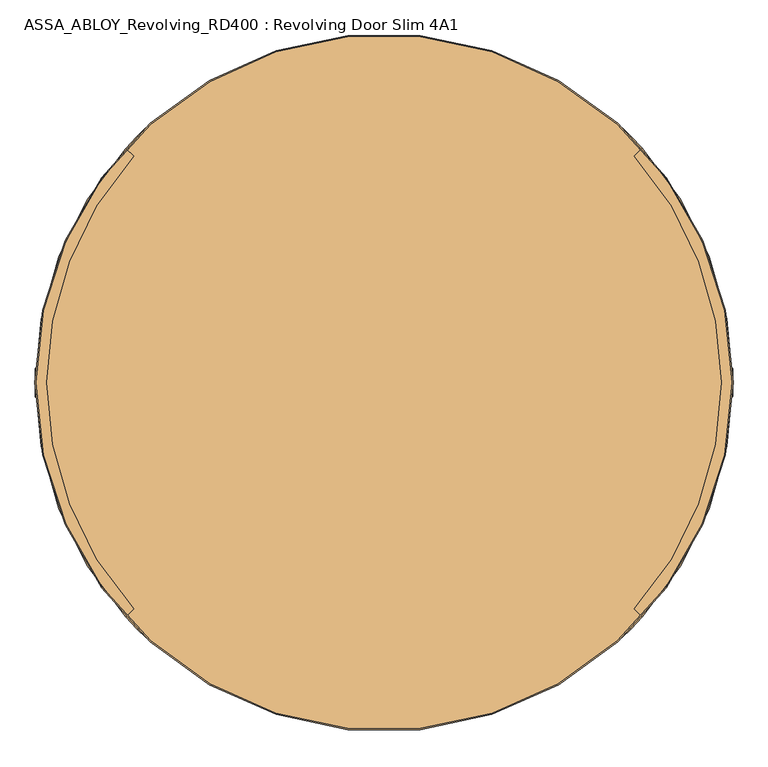
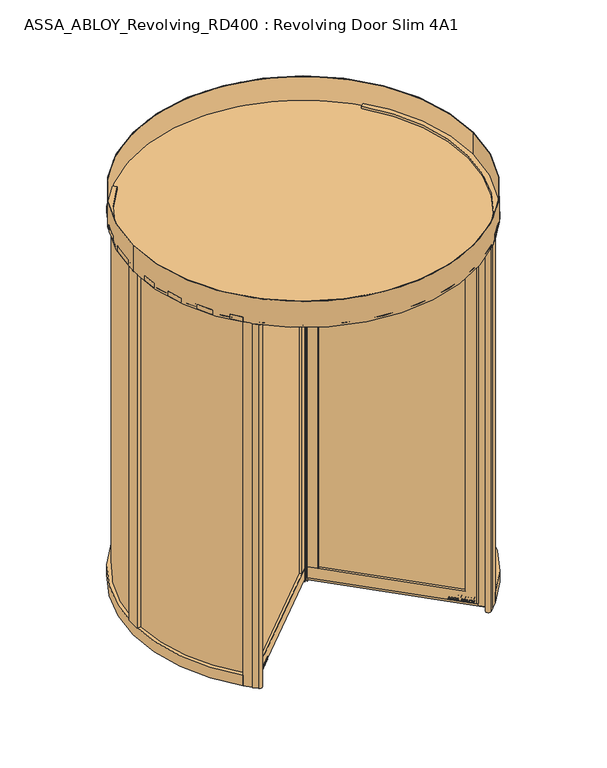
"""IFC4 building model written with IfcOpenShell, lengths in millimetres: door geometry, ASSA_ABLOY_Revolving_RD400 : Revolving Door Slim 4A1."""

from ifc_helpers import new_model, si_unit, point, frame, frame_2d, origin, origin_with_axes, origin_2d, place, context, project, spatial, polyline, circle_curve, trimmed, segment, composite_curve, outline, extrude, source, transform, mapped, element, save
from ifc_brep_helpers import plane_surface, cylinder_surface, advanced_brep


def assa_abloy_revolving_rd400_revolving_door_slim_4a1_2a2e77c7(model_context):
    return source(origin(), model_context, "Body", "SolidModel", [
        extrude(outline(composite_curve([segment(trimmed(circle_curve(origin_2d(), 1200.0), [point((-848.5281374, -848.5281374))], [point((-819.7723306, -876.3408731))], True, "CARTESIAN"), True, "CONTINUOUS"), segment(trimmed(circle_curve(frame_2d((-834.3787568, -890.0339371)), 20.0211809), [point((-819.7723306, -876.3408731))], [point((-848.0718208, -904.6403633))], False, "CARTESIAN"), True, "CONTINUOUS"), segment(trimmed(circle_curve(origin_2d(), 1240.0), [point((-848.0718208, -904.6403633))], [point((-876.8124087, -876.8124087))], False, "CARTESIAN"), True, "CONTINUOUS"), segment(polyline([(-876.8124087, -876.8124087), (-848.5281374, -848.5281374)]), True, "CONTINUOUS")], self_intersect=False)), origin_with_axes(), (0.0, 0.0, 1.0), 2800.0),
        extrude(outline(composite_curve([segment(trimmed(circle_curve(origin_2d(), 1200.0), [point((848.5281374, 848.5281374))], [point((819.7723306, 876.3408731))], True, "CARTESIAN"), True, "CONTINUOUS"), segment(trimmed(circle_curve(frame_2d((834.3787568, 890.0339371)), 20.0211809), [point((819.7723306, 876.3408731))], [point((848.0718208, 904.6403633))], False, "CARTESIAN"), True, "CONTINUOUS"), segment(trimmed(circle_curve(origin_2d(), 1240.0), [point((848.0718208, 904.6403633))], [point((876.8124087, 876.8124087))], False, "CARTESIAN"), True, "CONTINUOUS"), segment(polyline([(876.8124087, 876.8124087), (848.5281374, 848.5281374)]), True, "CONTINUOUS")], self_intersect=False)), origin_with_axes(), (0.0, 0.0, 1.0), 2800.0),
        extrude(outline(composite_curve([segment(polyline([(-848.5281374, 848.5281374), (-876.8124087, 876.8124087)]), True, "CONTINUOUS"), segment(trimmed(circle_curve(origin_2d(), 1240.0), [point((-876.8124087, 876.8124087))], [point((-848.0718208, 904.6403633))], False, "CARTESIAN"), True, "CONTINUOUS"), segment(trimmed(circle_curve(frame_2d((-834.3787568, 890.0339371)), 20.0211809), [point((-848.0718208, 904.6403633))], [point((-819.7723306, 876.3408731))], False, "CARTESIAN"), True, "CONTINUOUS"), segment(trimmed(circle_curve(origin_2d(), 1200.0), [point((-819.7723306, 876.3408731))], [point((-848.5281374, 848.5281374))], True, "CARTESIAN"), True, "CONTINUOUS")], self_intersect=False)), origin_with_axes(), (0.0, 0.0, 1.0), 2800.0),
        extrude(outline(composite_curve([segment(polyline([(848.5281374, -848.5281374), (876.8124087, -876.8124087)]), True, "CONTINUOUS"), segment(trimmed(circle_curve(origin_2d(), 1240.0), [point((876.8124087, -876.8124087))], [point((848.0718208, -904.6403633))], False, "CARTESIAN"), True, "CONTINUOUS"), segment(trimmed(circle_curve(frame_2d((834.3787568, -890.0339371)), 20.0211809), [point((848.0718208, -904.6403633))], [point((819.7723306, -876.3408731))], False, "CARTESIAN"), True, "CONTINUOUS"), segment(trimmed(circle_curve(origin_2d(), 1200.0), [point((819.7723306, -876.3408731))], [point((848.5281374, -848.5281374))], True, "CARTESIAN"), True, "CONTINUOUS")], self_intersect=False)), origin_with_axes(), (0.0, 0.0, 1.0), 2800.0),
        advanced_brep(
        [(9.1923882, -37.4766594, 28.0), (37.4766594, -9.1923882, 28.0), (818.8296526, -790.5453814, 28.0), (818.8296526, -801.8590899, 28.0), (801.8590899, -818.8296526, 28.0), (790.5453814, -818.8296526, 28.0), (9.1923882, -37.4766594, 110.0), (738.2194796, -766.5037508, 110.0), (766.5037508, -738.2194796, 110.0), (37.4766594, -9.1923882, 110.0), (37.4766594, -9.1923882, 2689.0), (9.1923882, -37.4766594, 2689.0), (9.1923882, -37.4766594, 2771.0), (37.4766594, -9.1923882, 2771.0), (766.5037508, -738.2194796, 2689.0), (738.2194796, -766.5037508, 2689.0), (818.8296526, -801.8590899, 2771.0), (801.8590899, -818.8296526, 2771.0), (790.5453814, -818.8296526, 2771.0), (818.8296526, -790.5453814, 2771.0)],
        [
            (0, 1),
            (1, 2),
            (2, 3, circle_curve(frame((813.1727984, -796.2022356, 28.0), z_axis=(0.0, 0.0, -1.0), x_axis=(-0.7071067811866438, -0.7071067811864512, 0.0)), 8.0)),
            (3, 4),
            (4, 5, circle_curve(frame((796.2022356, -813.1727984, 28.0), z_axis=(0.0, 0.0, -1.0), x_axis=(-0.7071067811866438, -0.7071067811864512, 0.0)), 8.0)),
            (5, 0),
            (6, 7),
            (7, 8),
            (8, 9),
            (9, 6),
            (10, 11),
            (11, 12),
            (12, 13),
            (13, 10),
            (10, 14),
            (14, 15),
            (15, 11),
            (7, 15),
            (14, 8),
            (16, 17),
            (17, 4),
            (3, 16),
            (17, 18, circle_curve(frame((796.2022356, -813.1727984, 2771.0), z_axis=(0.0, 0.0, -1.0), x_axis=(-0.7071067811866438, -0.7071067811864512, 0.0)), 8.0)),
            (18, 5),
            (19, 16, circle_curve(frame((813.1727984, -796.2022356, 2771.0), z_axis=(0.0, 0.0, -1.0), x_axis=(-0.7071067811866438, -0.7071067811864512, 0.0)), 8.0)),
            (2, 19),
            (6, 0),
            (18, 12),
            (1, 9),
            (13, 19),
        ],
        [
            plane_surface(frame((738.2194796, -766.5037508, 28.0), z_axis=(0.0, 0.0, -1.0), x_axis=(-0.7071067811864512, 0.7071067811866438, 0.0))),
            plane_surface(frame((766.5037508, -738.2194796, 110.0), z_axis=(0.0, 0.0, 1.0), x_axis=(-0.7071067811864512, 0.7071067811866438, 0.0))),
            plane_surface(frame((23.3345238, -23.3345238, 2771.0), z_axis=(-0.7071067811864512, 0.7071067811866438, 0.0), x_axis=(-0.7071067811866438, -0.7071067811864512, 0.0))),
            plane_surface(frame((37.4766594, -9.1923882, 2689.0), z_axis=(0.0, 0.0, -1.0), x_axis=(0.7071067811864512, -0.7071067811866438, 0.0))),
            plane_surface(frame((766.5037508, -738.2194796, 2771.0), z_axis=(-0.7071067811864512, 0.7071067811866438, 0.0), x_axis=(0.0, 0.0, -1.0))),
            plane_surface(frame((801.8590899, -818.8296526, 2771.0), z_axis=(0.7071067811864512, -0.7071067811866438, 0.0), x_axis=(0.0, 0.0, -1.0))),
            cylinder_surface(frame((796.2022356, -813.1727984, 2771.0), z_axis=(0.0, 0.0, 1.0), x_axis=(-0.7071067811866438, -0.7071067811864512, 0.0)), 8.0),
            cylinder_surface(frame((813.1727984, -796.2022356, 2771.0), z_axis=(0.0, 0.0, 1.0), x_axis=(-0.7071067811866438, -0.7071067811864512, 0.0)), 8.0),
            plane_surface(frame((738.2194796, -766.5037508, 110.0), z_axis=(-0.7071067811866438, -0.7071067811864512, 0.0), x_axis=(-0.7071067811864512, 0.7071067811866438, 0.0))),
            plane_surface(frame((766.5037508, -738.2194796, 28.0), z_axis=(0.7071067811866438, 0.7071067811864512, 0.0), x_axis=(-0.7071067811864512, 0.7071067811866438, 0.0))),
            plane_surface(frame((23.3345238, -23.3345238, 28.0), z_axis=(-0.7071067811864512, 0.7071067811866438, 0.0), x_axis=(-0.7071067811866438, -0.7071067811864512, 0.0))),
            plane_surface(frame((810.3443712, -810.3443712, 2771.0), z_axis=(0.0, 0.0, 1.0), x_axis=(-0.7071067811866438, -0.7071067811864512, 0.0))),
        ],
        [
            (0, [[1, 2, 3, 4, 5, 6]]),
            (1, [[7, 8, 9, 10]]),
            (2, [[11, 12, 13, 14]]),
            (3, [[-11, 15, 16, 17]]),
            (4, [[-8, 18, -16, 19]]),
            (5, [[20, 21, -4, 22]]),
            (6, [[23, 24, -5, -21]]),
            (7, [[25, -22, -3, 26]]),
            (8, [[-7, 27, -6, -24, 28, -12, -17, -18]]),
            (9, [[29, -9, -19, -15, -14, 30, -26, -2]]),
            (10, [[-27, -10, -29, -1]]),
            (11, [[-28, -23, -20, -25, -30, -13]]),
        ],
    ),
        extrude(outline(polyline([(35.3553391, -11.3137085), (30.4055916, -6.363961), (32.5269119, -4.2426407), (37.4766594, -9.1923882), (35.3553391, -11.3137085)])), origin_with_axes(), (0.0, 0.0, 1.0), 2800.0),
        extrude(outline(polyline([(86.9741341, -58.6898628), (58.6898628, -86.9741341), (9.1923882, -37.4766594), (37.4766594, -9.1923882), (86.9741341, -58.6898628)])), frame((0.0, 0.0, 110.0), z_axis=(0.0, 0.0, 1.0), x_axis=(1.0, 0.0, 0.0)), (0.0, 0.0, 1.0), 2579.0),
        extrude(outline(polyline([(841.6338488, -844.1087176), (809.1069368, -811.5818056), (811.5818056, -809.1069368), (844.1087176, -841.6338488), (841.6338488, -844.1087176)])), origin_with_axes(), (0.0, 0.0, 1.0), 2800.0),
        extrude(outline(polyline([(841.6338488, -844.1087176), (22.0970894, -24.5719582), (24.5719582, -22.0970894), (844.1087176, -841.6338488), (841.6338488, -844.1087176)])), frame((0.0, 0.0, 2770.0), z_axis=(0.0, 0.0, 1.0), x_axis=(1.0, 0.0, 0.0)), (0.0, 0.0, 1.0), 30.0),
        extrude(outline(polyline([(6.363961, -30.4055916), (11.3137085, -35.3553391), (9.1923882, -37.4766594), (4.2426407, -32.5269119), (6.363961, -30.4055916)])), origin_with_axes(), (0.0, 0.0, 1.0), 2800.0),
        extrude(outline(polyline([(751.1241808, -753.5990496), (71.5945641, -74.0694329), (74.0694329, -71.5945641), (753.5990496, -751.1241808), (751.1241808, -753.5990496)])), frame((0.0, 0.0, 110.0), z_axis=(0.0, 0.0, 1.0), x_axis=(1.0, 0.0, 0.0)), (0.0, 0.0, 1.0), 2579.0),
        extrude(outline(polyline([(841.6338488, -844.1087176), (22.0970894, -24.5719582), (24.5719582, -22.0970894), (844.1087176, -841.6338488), (841.6338488, -844.1087176)])), frame((0.0, 0.0, -2.0), z_axis=(0.0, 0.0, 1.0), x_axis=(1.0, 0.0, 0.0)), (0.0, 0.0, 1.0), 30.0),
        extrude(outline(polyline([(21.1919362, 0.0), (20.214336, -2.6529929), (14.2348715, -2.5853724), (11.2716326, -10.6269535), (15.8652682, -14.4554102), (14.8894584, -17.1035442), (-1.2354289, -3.3526834), (0.0, 0.0), (21.1919362, 0.0)]), holes=[polyline([(11.7626281, -2.5849674), (1.6611384, -2.5160752), (9.3848751, -9.0376682), (11.7626281, -2.5849674)])]), frame((802.4022596, -774.1179884, 47.8848654), z_axis=(0.707106781186653, 0.707106781186442, 0.0), x_axis=(-0.24449063860076203, 0.244490638600835, -0.9383222555567717)), (0.0, 0.0, 1.0), 2.0),
        extrude(outline(polyline([(3.5121291, 0.0), (5.4926863, -1.2764387), (6.787432, -3.3659463), (7.2092232, -6.1919012), (6.5093631, -9.6341389), (4.824798, -13.2083906), (2.5145629, -16.1570791), (-0.6567353, -15.0446471), (2.4447823, -12.1320668), (4.3562346, -8.76362), (4.8029446, -4.7524081), (2.9863484, -2.6252692), (0.9295188, -2.6144293), (-0.6628891, -4.2207408), (-1.8238571, -6.2006452), (-3.0893834, -8.4786223), (-6.2388815, -11.6844271), (-9.9996043, -11.7673438), (-13.1300796, -8.3561655), (-12.7977466, -2.5981571), (-11.0920114, 1.0208017), (-9.0699596, 3.711135), (-6.0403681, 2.6484111), (-8.71119, 0.0484616), (-10.6514742, -3.4882218), (-11.0208469, -7.16163), (-9.3614355, -9.1814982), (-7.3063201, -9.1972245), (-5.5118808, -7.3434952), (-4.250422, -5.1162245), (-2.8187321, -2.6852579), (0.0, 0.0), (3.5121291, 0.0)])), frame((785.6227638, -757.3384925, 36.999973), z_axis=(0.707106781186653, 0.7071067811864422, 0.0), x_axis=(-0.23405736617649348, 0.23405736617656334, -0.9436282629706536)), (0.0, 0.0, 1.0), 2.0),
        extrude(outline(polyline([(3.5121291, 0.0), (5.4926863, -1.2764387), (6.787432, -3.3659464), (7.2092232, -6.1919012), (6.5093631, -9.6341389), (4.824798, -13.2083906), (2.5145629, -16.1570791), (-0.6567353, -15.0446471), (2.4447822, -12.1320668), (4.3562345, -8.7636201), (4.8029446, -4.7524081), (2.9863484, -2.6252692), (0.9295188, -2.6144293), (-0.6628891, -4.2207408), (-1.8238571, -6.2006452), (-3.0893834, -8.4786223), (-6.2388816, -11.6844271), (-9.9996043, -11.7673438), (-13.1300796, -8.3561656), (-12.7977466, -2.5981571), (-11.0920114, 1.0208017), (-9.0699596, 3.711135), (-6.0403681, 2.6484111), (-8.71119, 0.0484616), (-10.6514742, -3.4882218), (-11.0208469, -7.1616301), (-9.3614355, -9.1814982), (-7.3063201, -9.1972245), (-5.5118808, -7.3434952), (-4.250422, -5.1162245), (-2.8187321, -2.6852579), (0.0, 0.0), (3.5121291, 0.0)])), frame((772.2650767, -743.9808055, 36.999973), z_axis=(0.707106781186653, 0.7071067811864421, 0.0), x_axis=(-0.23405736617649955, 0.23405736617656944, -0.9436282629706506)), (0.0, 0.0, 1.0), 2.0),
        extrude(outline(polyline([(21.1919362, 0.0), (20.214336, -2.6529929), (14.2348715, -2.5853724), (11.2716326, -10.6269535), (15.8652682, -14.4554102), (14.8894584, -17.1035442), (-1.2354289, -3.3526834), (0.0, 0.0), (21.1919362, 0.0)]), holes=[polyline([(11.7626281, -2.5849675), (1.6611384, -2.5160752), (9.3848751, -9.0376682), (11.7626281, -2.5849675)])]), frame((762.3291985, -734.0449272, 47.8848654), z_axis=(0.707106781186653, 0.707106781186442, 0.0), x_axis=(-0.24449063860076203, 0.244490638600835, -0.9383222555567717)), (0.0, 0.0, 1.0), 2.0),
        extrude(outline(polyline([(21.1919362, 0.0), (20.214336, -2.6529929), (14.2348715, -2.5853724), (11.2716326, -10.6269535), (15.8652682, -14.4554102), (14.8894584, -17.1035442), (-1.2354289, -3.3526834), (0.0, 0.0), (21.1919362, 0.0)]), holes=[polyline([(11.7626281, -2.5849674), (1.6611384, -2.5160752), (9.3848751, -9.0376682), (11.7626281, -2.5849674)])]), frame((742.1754952, -713.891224, 47.8848654), z_axis=(0.707106781186653, 0.707106781186442, 0.0), x_axis=(-0.24449063860076203, 0.244490638600835, -0.9383222555567717)), (0.0, 0.0, 1.0), 2.0),
        extrude(outline(polyline([(3.6247797, 0.0), (5.9232413, -1.3859292), (7.2049821, -3.4426963), (7.5842828, -6.2202288), (6.8194358, -9.6251298), (4.5055294, -16.4081519), (-14.3144162, -9.9880648), (-12.3716711, -4.2930708), (-11.1479956, -1.1951535), (-9.8352432, 0.5920774), (-7.9241126, 1.6554025), (-5.7320771, 1.441087), (-3.7068839, -0.0321766), (-2.8147562, -2.4211002), (0.0, 0.0), (3.6247797, 0.0)]), holes=[polyline([(-5.2214253, -2.9241787), (-9.3653605, -2.9303688), (-10.1960736, -5.1008933), (-11.2627443, -8.2277488), (-5.9304264, -10.0467735), (-4.7734732, -6.6552625), (-5.2214253, -2.9241787)]), polyline([(2.8765907, -2.5461079), (0.9746905, -2.291247), (-0.5832315, -3.1932876), (-1.5099769, -4.5787397), (-2.3470909, -6.7279308), (-3.734766, -10.7957837), (3.1658807, -13.1498156), (4.3362091, -9.7190964), (5.1175974, -6.8751817), (5.1102534, -4.8838351), (4.3679308, -3.4351117), (2.8765907, -2.5461079)])]), frame((724.9328011, -696.6485298, 37.561824), z_axis=(0.707106781186653, 0.7071067811864422, 0.0), x_axis=(-0.22829861010654995, 0.2282986101066181, -0.9464457138403681)), (0.0, 0.0, 1.0), 2.0),
        extrude(outline(polyline([(2.319901, 0.0), (2.319901, -12.5937481), (-17.5649644, -12.5937481), (-17.5649644, -9.9424327), (0.0, -9.9424327), (0.0, 0.0), (2.319901, 0.0)])), frame((712.622345, -684.3380737, 30.319901), z_axis=(0.707106781186653, 0.707106781186442, 0.0), x_axis=(0.0, 0.0, -1.0)), (0.0, 0.0, 1.0), 2.0),
        extrude(outline(polyline([(3.4755123, 0.0), (6.8343334, -1.6217536), (9.8417791, -4.8358203), (11.7934802, -8.7947164), (12.1283676, -12.475947), (10.9175762, -15.7640054), (8.2007386, -18.4707048), (4.7147757, -20.0502835), (1.2097864, -20.048671), (-2.1257686, -18.4422905), (-5.1361656, -15.2239687), (-7.0812776, -11.3109182), (-7.4345587, -7.5668216), (-6.1998493, -4.2905332), (-3.5095377, -1.5864764), (0.0, 0.0), (3.4755123, 0.0)]), holes=[polyline([(7.6631689, -6.3468237), (2.8864763, -2.494471), (-2.1788995, -3.4868579), (-4.8960978, -7.8921765), (-2.9575554, -13.7129653), (1.8513938, -17.5618518), (6.8871209, -16.5585186), (9.5892893, -12.1951337), (7.6631689, -6.3468237)])]), frame((702.331287, -674.0470158, 47.5197917), z_axis=(0.707106781186653, 0.7071067811864422, 0.0), x_axis=(-0.5810361129352651, 0.5810361129354384, -0.5699070721880493)), (0.0, 0.0, 1.0), 2.0),
        extrude(outline(polyline([(3.1691505, 0.0), (-4.1219668, -11.1645234), (-4.1219668, -19.8848654), (-6.7732822, -19.8848654), (-6.7732822, -11.4441543), (-14.0643996, 0.0), (-10.9211409, 0.0), (-5.4320895, -8.8964059), (0.0, 0.0), (3.1691505, 0.0)])), frame((687.4448625, -659.1605913, 47.8848654), z_axis=(0.707106781186653, 0.707106781186442, 0.0), x_axis=(-0.707106781186442, 0.707106781186653, 0.0)), (0.0, 0.0, 1.0), 2.0),
        extrude(outline(polyline([(-21.1919362, 0.0), (0.0, 0.0), (1.2354289, -3.3526834), (-14.8894584, -17.1035441), (-15.8652682, -14.4554102), (-11.2716326, -10.6269534), (-14.2348715, -2.5853724), (-20.214336, -2.6529928), (-21.1919362, 0.0)]), holes=[polyline([(-11.7626281, -2.5849674), (-9.3848751, -9.0376682), (-1.6611384, -2.5160752), (-11.7626281, -2.5849674)])]), frame((663.6819069, -694.7946053, 47.8848654), z_axis=(0.7071067811866485, 0.7071067811864465, 0.0), x_axis=(-0.24449063860076367, 0.2444906386008335, 0.9383222555567716)), (0.0, 0.0, 1.0), 2.0),
        extrude(outline(polyline([(-3.5121291, -1e-07), (0.0, 0.0), (2.8187321, -2.685258), (4.250422, -5.1162245), (5.5118808, -7.3434952), (7.3063201, -9.1972245), (9.3614355, -9.1814982), (11.0208469, -7.1616301), (10.6514742, -3.4882218), (8.71119, 0.0484616), (6.0403681, 2.6484111), (9.0699596, 3.711135), (11.0920114, 1.0208017), (12.7977466, -2.5981572), (13.1300796, -8.3561656), (9.9996043, -11.7673438), (6.2388816, -11.6844271), (3.0893834, -8.4786224), (1.8238571, -6.2006453), (0.6628891, -4.2207409), (-0.9295188, -2.6144294), (-2.9863484, -2.6252693), (-4.8029446, -4.7524081), (-4.3562345, -8.7636201), (-2.4447822, -12.1320668), (0.6567353, -15.0446471), (-2.5145629, -16.1570791), (-4.824798, -13.2083906), (-6.5093631, -9.6341389), (-7.2092232, -6.1919012), (-6.787432, -3.3659464), (-5.4926863, -1.2764388), (-3.5121291, -1e-07)])), frame((680.4614028, -711.5741012, 36.999973), z_axis=(0.7071067811866485, 0.7071067811864467, 0.0), x_axis=(-0.234057366176495, 0.2340573661765618, 0.9436282629706536)), (0.0, 0.0, 1.0), 2.0),
        extrude(outline(polyline([(-3.5121291, 0.0), (0.0, 0.0), (2.818732, -2.6852578), (4.250422, -5.1162245), (5.5118808, -7.3434952), (7.3063201, -9.1972245), (9.3614355, -9.1814982), (11.0208469, -7.16163), (10.6514742, -3.4882217), (8.71119, 0.0484616), (6.0403681, 2.6484111), (9.0699596, 3.711135), (11.0920114, 1.0208017), (12.7977466, -2.5981571), (13.1300796, -8.3561655), (9.9996043, -11.7673438), (6.2388815, -11.6844271), (3.0893834, -8.4786223), (1.8238571, -6.2006452), (0.6628891, -4.2207408), (-0.9295188, -2.6144293), (-2.9863484, -2.6252692), (-4.8029446, -4.7524081), (-4.3562346, -8.76362), (-2.4447823, -12.1320668), (0.6567353, -15.0446471), (-2.5145629, -16.1570791), (-4.8247981, -13.2083906), (-6.5093631, -9.6341389), (-7.2092232, -6.1919011), (-6.787432, -3.3659463), (-5.4926863, -1.2764387), (-3.5121291, 0.0)])), frame((693.8190898, -724.9317882, 36.999973), z_axis=(0.7071067811866485, 0.7071067811864467, 0.0), x_axis=(-0.234057366176495, 0.2340573661765618, 0.9436282629706536)), (0.0, 0.0, 1.0), 2.0),
        extrude(outline(polyline([(-21.1919362, 0.0), (0.0, 0.0), (1.2354289, -3.3526834), (-14.8894584, -17.1035442), (-15.8652682, -14.4554102), (-11.2716326, -10.6269535), (-14.2348715, -2.5853724), (-20.214336, -2.6529929), (-21.1919362, 0.0)]), holes=[polyline([(-11.7626281, -2.5849674), (-9.3848751, -9.0376682), (-1.6611384, -2.5160752), (-11.7626281, -2.5849674)])]), frame((703.7549681, -734.8676664, 47.8848654), z_axis=(0.7071067811866485, 0.7071067811864465, 0.0), x_axis=(-0.24449063860076367, 0.2444906386008335, 0.9383222555567716)), (0.0, 0.0, 1.0), 2.0),
        extrude(outline(polyline([(-21.1919362, 0.0), (0.0, 0.0), (1.2354289, -3.3526834), (-14.8894584, -17.1035441), (-15.8652682, -14.4554102), (-11.2716326, -10.6269534), (-14.2348715, -2.5853724), (-20.214336, -2.6529929), (-21.1919362, 0.0)]), holes=[polyline([(-11.7626281, -2.5849674), (-9.3848751, -9.0376682), (-1.6611384, -2.5160752), (-11.7626281, -2.5849674)])]), frame((723.9086713, -755.0213697, 47.8848654), z_axis=(0.7071067811866485, 0.7071067811864465, 0.0), x_axis=(-0.24449063860076367, 0.2444906386008335, 0.9383222555567716)), (0.0, 0.0, 1.0), 2.0),
        extrude(outline(polyline([(-3.6247797, -1e-07), (0.0, 0.0), (2.8147562, -2.4211003), (3.7068839, -0.0321767), (5.7320771, 1.441087), (7.9241126, 1.6554024), (9.8352433, 0.5920773), (11.1479956, -1.1951536), (12.3716711, -4.2930708), (14.3144162, -9.9880649), (-4.5055294, -16.408152), (-6.8194358, -9.6251299), (-7.5842828, -6.2202288), (-7.2049821, -3.4426963), (-5.9232413, -1.3859292), (-3.6247797, -1e-07)]), holes=[polyline([(5.2214253, -2.9241787), (4.7734732, -6.6552625), (5.9304264, -10.0467736), (11.2627444, -8.2277489), (10.1960736, -5.1008933), (9.3653605, -2.9303688), (5.2214253, -2.9241787)]), polyline([(-2.8765906, -2.5461079), (-4.3679308, -3.4351117), (-5.1102534, -4.8838351), (-5.1175974, -6.8751818), (-4.3362091, -9.7190964), (-3.1658807, -13.1498157), (3.7347661, -10.7957838), (2.347091, -6.7279309), (1.5099769, -4.5787397), (0.5832316, -3.1932877), (-0.9746905, -2.2912471), (-2.8765906, -2.5461079)])]), frame((741.1513655, -772.2640639, 37.561824), z_axis=(0.7071067811866485, 0.7071067811864467, 0.0), x_axis=(-0.22829861010655142, 0.22829861010661662, 0.9464457138403681)), (0.0, 0.0, 1.0), 2.0),
        extrude(outline(polyline([(-2.319901, 0.0), (0.0, 0.0), (0.0, -9.9424327), (17.5649644, -9.9424327), (17.5649644, -12.5937481), (-2.319901, -12.5937481), (-2.319901, 0.0)])), frame((753.4618216, -784.5745199, 30.319901), z_axis=(0.7071067811866485, 0.7071067811864465, 0.0), x_axis=(0.0, 0.0, 1.0)), (0.0, 0.0, 1.0), 2.0),
        extrude(outline(polyline([(-3.4755123, 0.0), (0.0, 0.0), (3.5095376, -1.5864763), (6.1998493, -4.2905332), (7.4345587, -7.5668216), (7.0812776, -11.3109182), (5.1361655, -15.2239686), (2.1257686, -18.4422905), (-1.2097864, -20.048671), (-4.7147757, -20.0502835), (-8.2007387, -18.4707048), (-10.9175762, -15.7640054), (-12.1283676, -12.475947), (-11.7934803, -8.7947163), (-9.8417791, -4.8358203), (-6.8343334, -1.6217536), (-3.4755123, 0.0)]), holes=[polyline([(-7.663169, -6.3468237), (-9.5892894, -12.1951337), (-6.887121, -16.5585186), (-1.8513938, -17.5618518), (2.9575554, -13.7129652), (4.8960978, -7.8921765), (2.1788994, -3.4868578), (-2.8864763, -2.494471), (-7.663169, -6.3468237)])]), frame((763.7528795, -794.8655779, 47.5197917), z_axis=(0.7071067811866485, 0.7071067811864467, 0.0), x_axis=(-0.5810361129352702, 0.5810361129354361, 0.5699070721880464)), (0.0, 0.0, 1.0), 2.0),
        extrude(outline(polyline([(-3.1691504, 0.0), (0.0, 0.0), (5.4320895, -8.8964059), (10.921141, 0.0), (14.0643996, 0.0), (6.7732823, -11.4441543), (6.7732823, -19.8848654), (4.1219669, -19.8848654), (4.1219669, -11.1645234), (-3.1691504, 0.0)])), frame((778.6393041, -809.7520024, 47.8848654), z_axis=(0.7071067811866485, 0.7071067811864465, 0.0), x_axis=(-0.7071067811864465, 0.7071067811866485, 0.0)), (0.0, 0.0, 1.0), 2.0),
        extrude(outline(composite_curve([segment(trimmed(circle_curve(origin_2d(), 1226.0), [point((-1226.0, 0.0))], [point((1226.0, 0.0))], False, "CARTESIAN"), True, "CONTINUOUS"), segment(trimmed(circle_curve(origin_2d(), 1226.0), [point((1226.0, 0.0))], [point((-1226.0, 0.0))], False, "CARTESIAN"), True, "CONTINUOUS")], self_intersect=False)), frame((0.0, 0.0, 2800.0), z_axis=(0.0, 0.0, 1.0), x_axis=(1.0, 0.0, 0.0)), (0.0, 0.0, 1.0), 16.0),
        extrude(outline(composite_curve([segment(polyline([(-918.2117687, 833.1523796), (-889.8932204, 804.8338312)]), True, "CONTINUOUS"), segment(trimmed(circle_curve(frame_2d((0.0, -0.2065754)), 1200.0), [point((-889.8932204, 804.8338312))], [point((-889.8932204, -805.246982))], True, "CARTESIAN"), True, "CONTINUOUS"), segment(polyline([(-889.8932204, -805.246982), (-918.2117687, -833.5655304)]), True, "CONTINUOUS"), segment(trimmed(circle_curve(frame_2d((0.0, -0.2065754)), 1240.0), [point((-918.2117687, -833.5655304))], [point((-918.2117687, 833.1523796))], False, "CARTESIAN"), True, "CONTINUOUS")], self_intersect=False)), frame((0.0, 0.0, 2803.0), z_axis=(0.0, 0.0, 1.0), x_axis=(1.0, 0.0, 0.0)), (0.0, 0.0, 1.0), 35.0),
        extrude(outline(composite_curve([segment(polyline([(-918.2117687, -833.5655304), (-889.8932204, -805.246982)]), True, "CONTINUOUS"), segment(trimmed(circle_curve(frame_2d((0.0, -0.2065754)), 1200.0), [point((-889.8932204, -805.246982))], [point((-848.5281374, -848.7347128))], True, "CARTESIAN"), True, "CONTINUOUS"), segment(polyline([(-848.5281374, -848.7347128), (-876.8124087, -877.0189841)]), True, "CONTINUOUS"), segment(trimmed(circle_curve(frame_2d((0.0, -0.2065754)), 1240.0), [point((-876.8124087, -877.0189841))], [point((-918.2117687, -833.5655304))], False, "CARTESIAN"), True, "CONTINUOUS")], self_intersect=False)), frame((0.0, 0.0, 3.0), z_axis=(0.0, 0.0, 1.0), x_axis=(1.0, 0.0, 0.0)), (0.0, 0.0, 1.0), 2800.0),
        extrude(outline(composite_curve([segment(polyline([(-876.8124087, 876.6058333), (-848.5281374, 848.321562)]), True, "CONTINUOUS"), segment(trimmed(circle_curve(frame_2d((0.0, -0.2065754)), 1200.0), [point((-848.5281374, 848.321562))], [point((-889.8932204, 804.8338312))], True, "CARTESIAN"), True, "CONTINUOUS"), segment(polyline([(-889.8932204, 804.8338312), (-918.2117687, 833.1523796)]), True, "CONTINUOUS"), segment(trimmed(circle_curve(frame_2d((0.0, -0.2065754)), 1240.0), [point((-918.2117687, 833.1523796))], [point((-876.8124087, 876.6058333))], False, "CARTESIAN"), True, "CONTINUOUS")], self_intersect=False)), frame((0.0, 0.0, 3.0), z_axis=(0.0, 0.0, 1.0), x_axis=(1.0, 0.0, 0.0)), (0.0, 0.0, 1.0), 2800.0),
        extrude(outline(composite_curve([segment(polyline([(-1211.969059, -50.2065754), (-1203.9622087, -50.2065754)]), True, "CONTINUOUS"), segment(trimmed(circle_curve(frame_2d((0.0, -0.2065754)), 1205.0), [point((-1203.9622087, -50.2065754))], [point((-893.4331636, -808.7869253))], True, "CARTESIAN"), True, "CONTINUOUS"), segment(polyline([(-893.4331636, -808.7869253), (-899.096997, -814.4507587)]), True, "CONTINUOUS"), segment(trimmed(circle_curve(frame_2d((0.0, -0.2065754)), 1213.0), [point((-899.096997, -814.4507587))], [point((-1211.969059, -50.2065754))], False, "CARTESIAN"), True, "CONTINUOUS")], self_intersect=False)), frame((0.0, 0.0, 83.0), z_axis=(0.0, 0.0, 1.0), x_axis=(1.0, 0.0, 0.0)), (0.0, 0.0, 1.0), 2720.0),
        extrude(outline(composite_curve([segment(polyline([(-899.096997, 814.0376079), (-893.4331636, 808.3737745)]), True, "CONTINUOUS"), segment(trimmed(circle_curve(frame_2d((0.0, -0.2065754)), 1205.0), [point((-893.4331636, 808.3737745))], [point((-1203.9622087, 49.7934246))], True, "CARTESIAN"), True, "CONTINUOUS"), segment(polyline([(-1203.9622087, 49.7934246), (-1211.969059, 49.7934246)]), True, "CONTINUOUS"), segment(trimmed(circle_curve(frame_2d((0.0, -0.2065754)), 1213.0), [point((-1211.969059, 49.7934246))], [point((-899.096997, 814.0376079))], False, "CARTESIAN"), True, "CONTINUOUS")], self_intersect=False)), frame((0.0, 0.0, 83.0), z_axis=(0.0, 0.0, 1.0), x_axis=(1.0, 0.0, 0.0)), (0.0, 0.0, 1.0), 2720.0),
        extrude(outline(polyline([(-1240.0, -50.2065754), (-1240.0, 49.7934246), (-1200.0, 49.7934246), (-1200.0, -50.2065754), (-1240.0, -50.2065754)])), frame((0.0, 0.0, 83.0), z_axis=(0.0, 0.0, 1.0), x_axis=(1.0, 0.0, 0.0)), (0.0, 0.0, 1.0), 2720.0),
        extrude(outline(composite_curve([segment(polyline([(-918.2117687, 833.1523796), (-889.8932204, 804.8338312)]), True, "CONTINUOUS"), segment(trimmed(circle_curve(frame_2d((0.0, -0.2065754)), 1200.0), [point((-889.8932204, 804.8338312))], [point((-889.8932204, -805.246982))], True, "CARTESIAN"), True, "CONTINUOUS"), segment(polyline([(-889.8932204, -805.246982), (-918.2117687, -833.5655304)]), True, "CONTINUOUS"), segment(trimmed(circle_curve(frame_2d((0.0, -0.2065754)), 1240.0), [point((-918.2117687, -833.5655304))], [point((-918.2117687, 833.1523796))], False, "CARTESIAN"), True, "CONTINUOUS")], self_intersect=False)), frame((0.0, 0.0, 3.0), z_axis=(0.0, 0.0, 1.0), x_axis=(1.0, 0.0, 0.0)), (0.0, 0.0, 1.0), 80.0),
        extrude(outline(composite_curve([segment(trimmed(circle_curve(origin_2d(), 1240.0), [point((918.2117687, 833.358955))], [point((918.2117687, -833.358955))], False, "CARTESIAN"), True, "CONTINUOUS"), segment(polyline([(918.2117687, -833.358955), (889.8932204, -805.0404066)]), True, "CONTINUOUS"), segment(trimmed(circle_curve(origin_2d(), 1200.0), [point((889.8932204, -805.0404066))], [point((889.8932204, 805.0404066))], True, "CARTESIAN"), True, "CONTINUOUS"), segment(polyline([(889.8932204, 805.0404066), (918.2117687, 833.358955)]), True, "CONTINUOUS")], self_intersect=False)), frame((0.0, 0.0, 2800.0), z_axis=(0.0, 0.0, 1.0), x_axis=(1.0, 0.0, 0.0)), (0.0, 0.0, 1.0), 35.0),
        extrude(outline(composite_curve([segment(trimmed(circle_curve(origin_2d(), 1240.0), [point((918.2117687, -833.358955))], [point((876.8124087, -876.8124087))], False, "CARTESIAN"), True, "CONTINUOUS"), segment(polyline([(876.8124087, -876.8124087), (848.5281374, -848.5281374)]), True, "CONTINUOUS"), segment(trimmed(circle_curve(origin_2d(), 1200.0), [point((848.5281374, -848.5281374))], [point((889.8932204, -805.0404066))], True, "CARTESIAN"), True, "CONTINUOUS"), segment(polyline([(889.8932204, -805.0404066), (918.2117687, -833.358955)]), True, "CONTINUOUS")], self_intersect=False)), origin_with_axes(), (0.0, 0.0, 1.0), 2800.0),
        extrude(outline(composite_curve([segment(trimmed(circle_curve(origin_2d(), 1240.0), [point((876.8124087, 876.8124087))], [point((918.2117687, 833.358955))], False, "CARTESIAN"), True, "CONTINUOUS"), segment(polyline([(918.2117687, 833.358955), (889.8932204, 805.0404066)]), True, "CONTINUOUS"), segment(trimmed(circle_curve(origin_2d(), 1200.0), [point((889.8932204, 805.0404066))], [point((848.5281374, 848.5281374))], True, "CARTESIAN"), True, "CONTINUOUS"), segment(polyline([(848.5281374, 848.5281374), (876.8124087, 876.8124087)]), True, "CONTINUOUS")], self_intersect=False)), origin_with_axes(), (0.0, 0.0, 1.0), 2800.0),
        extrude(outline(composite_curve([segment(trimmed(circle_curve(origin_2d(), 1213.0), [point((1211.969059, -50.0))], [point((899.096997, -814.2441833))], False, "CARTESIAN"), True, "CONTINUOUS"), segment(polyline([(899.096997, -814.2441833), (893.4331636, -808.5803499)]), True, "CONTINUOUS"), segment(trimmed(circle_curve(origin_2d(), 1205.0), [point((893.4331636, -808.5803499))], [point((1203.9622087, -50.0))], True, "CARTESIAN"), True, "CONTINUOUS"), segment(polyline([(1203.9622087, -50.0), (1211.969059, -50.0)]), True, "CONTINUOUS")], self_intersect=False)), frame((0.0, 0.0, 80.0), z_axis=(0.0, 0.0, 1.0), x_axis=(1.0, 0.0, 0.0)), (0.0, 0.0, 1.0), 2720.0),
        extrude(outline(composite_curve([segment(trimmed(circle_curve(origin_2d(), 1213.0), [point((899.096997, 814.2441833))], [point((1211.969059, 50.0))], False, "CARTESIAN"), True, "CONTINUOUS"), segment(polyline([(1211.969059, 50.0), (1203.9622087, 50.0)]), True, "CONTINUOUS"), segment(trimmed(circle_curve(origin_2d(), 1205.0), [point((1203.9622087, 50.0))], [point((893.4331636, 808.5803499))], True, "CARTESIAN"), True, "CONTINUOUS"), segment(polyline([(893.4331636, 808.5803499), (899.096997, 814.2441833)]), True, "CONTINUOUS")], self_intersect=False)), frame((0.0, 0.0, 80.0), z_axis=(0.0, 0.0, 1.0), x_axis=(1.0, 0.0, 0.0)), (0.0, 0.0, 1.0), 2720.0),
        extrude(outline(polyline([(1240.0, -50.0), (1200.0, -50.0), (1200.0, 50.0), (1240.0, 50.0), (1240.0, -50.0)])), frame((0.0, 0.0, 80.0), z_axis=(0.0, 0.0, 1.0), x_axis=(1.0, 0.0, 0.0)), (0.0, 0.0, 1.0), 2720.0),
        extrude(outline(composite_curve([segment(trimmed(circle_curve(origin_2d(), 1240.0), [point((918.2117687, 833.358955))], [point((918.2117687, -833.358955))], False, "CARTESIAN"), True, "CONTINUOUS"), segment(polyline([(918.2117687, -833.358955), (889.8932204, -805.0404066)]), True, "CONTINUOUS"), segment(trimmed(circle_curve(origin_2d(), 1200.0), [point((889.8932204, -805.0404066))], [point((889.8932204, 805.0404066))], True, "CARTESIAN"), True, "CONTINUOUS"), segment(polyline([(889.8932204, 805.0404066), (918.2117687, 833.358955)]), True, "CONTINUOUS")], self_intersect=False)), origin_with_axes(), (0.0, 0.0, 1.0), 80.0),
        extrude(outline(composite_curve([segment(trimmed(circle_curve(origin_2d(), 1241.0), [point((-1241.0, 0.0))], [point((1241.0, 0.0))], False, "CARTESIAN"), True, "CONTINUOUS"), segment(trimmed(circle_curve(origin_2d(), 1241.0), [point((1241.0, 0.0))], [point((-1241.0, 0.0))], False, "CARTESIAN"), True, "CONTINUOUS")], self_intersect=False), holes=[composite_curve([segment(trimmed(circle_curve(origin_2d(), 1237.0), [point((-1237.0, 0.0))], [point((1237.0, 0.0))], True, "CARTESIAN"), True, "CONTINUOUS"), segment(trimmed(circle_curve(origin_2d(), 1237.0), [point((1237.0, 0.0))], [point((-1237.0, 0.0))], True, "CARTESIAN"), True, "CONTINUOUS")], self_intersect=False)]), frame((0.0, 0.0, 2800.0), z_axis=(0.0, 0.0, 1.0), x_axis=(1.0, 0.0, 0.0)), (0.0, 0.0, 1.0), 200.0),
        extrude(outline(composite_curve([segment(trimmed(circle_curve(origin_2d(), 1241.0), [point((-1241.0, 0.0))], [point((1241.0, 0.0))], False, "CARTESIAN"), True, "CONTINUOUS"), segment(trimmed(circle_curve(origin_2d(), 1241.0), [point((1241.0, 0.0))], [point((-1241.0, 0.0))], False, "CARTESIAN"), True, "CONTINUOUS")], self_intersect=False)), frame((0.0, 0.0, 2800.0), z_axis=(0.0, 0.0, 1.0), x_axis=(1.0, 0.0, 0.0)), (0.0, 0.0, 1.0), 18.0),
        advanced_brep(
        [(-37.4766594, -9.1923882, 28.0), (-9.1923882, -37.4766594, 28.0), (-790.5453814, -818.8296526, 28.0), (-801.8590899, -818.8296526, 28.0), (-818.8296526, -801.8590899, 28.0), (-818.8296526, -790.5453814, 28.0), (-37.4766594, -9.1923882, 110.0), (-766.5037508, -738.2194796, 110.0), (-738.2194796, -766.5037508, 110.0), (-9.1923882, -37.4766594, 110.0), (-9.1923882, -37.4766594, 2689.0), (-37.4766594, -9.1923882, 2689.0), (-37.4766594, -9.1923882, 2771.0), (-9.1923882, -37.4766594, 2771.0), (-738.2194796, -766.5037508, 2689.0), (-766.5037508, -738.2194796, 2689.0), (-801.8590899, -818.8296526, 2771.0), (-818.8296526, -801.8590899, 2771.0), (-818.8296526, -790.5453814, 2771.0), (-790.5453814, -818.8296526, 2771.0)],
        [
            (0, 1),
            (1, 2),
            (2, 3, circle_curve(frame((-796.2022356, -813.1727984, 28.0), z_axis=(0.0, 0.0, -1.0), x_axis=(-0.7071067811865487, 0.7071067811865464, 0.0)), 8.0)),
            (3, 4),
            (4, 5, circle_curve(frame((-813.1727984, -796.2022356, 28.0), z_axis=(0.0, 0.0, -1.0), x_axis=(-0.7071067811865487, 0.7071067811865464, 0.0)), 8.0)),
            (5, 0),
            (6, 7),
            (7, 8),
            (8, 9),
            (9, 6),
            (10, 11),
            (11, 12),
            (12, 13),
            (13, 10),
            (10, 14),
            (14, 15),
            (15, 11),
            (7, 15),
            (14, 8),
            (16, 17),
            (17, 4),
            (3, 16),
            (17, 18, circle_curve(frame((-813.1727984, -796.2022356, 2771.0), z_axis=(0.0, 0.0, -1.0), x_axis=(-0.7071067811865487, 0.7071067811865464, 0.0)), 8.0)),
            (18, 5),
            (19, 16, circle_curve(frame((-796.2022356, -813.1727984, 2771.0), z_axis=(0.0, 0.0, -1.0), x_axis=(-0.7071067811865487, 0.7071067811865464, 0.0)), 8.0)),
            (2, 19),
            (6, 0),
            (18, 12),
            (1, 9),
            (13, 19),
        ],
        [
            plane_surface(frame((-766.5037508, -738.2194796, 28.0), z_axis=(0.0, 0.0, -1.0), x_axis=(0.7071067811865464, 0.7071067811865487, 0.0))),
            plane_surface(frame((-738.2194796, -766.5037508, 110.0), z_axis=(0.0, 0.0, 1.0), x_axis=(0.7071067811865464, 0.7071067811865487, 0.0))),
            plane_surface(frame((-23.3345238, -23.3345238, 2771.0), z_axis=(0.7071067811865464, 0.7071067811865487, 0.0), x_axis=(-0.7071067811865487, 0.7071067811865464, 0.0))),
            plane_surface(frame((-9.1923882, -37.4766594, 2689.0), z_axis=(0.0, 0.0, -1.0), x_axis=(-0.7071067811865464, -0.7071067811865487, 0.0))),
            plane_surface(frame((-738.2194796, -766.5037508, 2771.0), z_axis=(0.7071067811865464, 0.7071067811865487, 0.0), x_axis=(0.0, 0.0, -1.0))),
            plane_surface(frame((-818.8296526, -801.8590899, 2771.0), z_axis=(-0.7071067811865464, -0.7071067811865487, 0.0), x_axis=(0.0, 0.0, -1.0))),
            cylinder_surface(frame((-813.1727984, -796.2022356, 2771.0), z_axis=(0.0, 0.0, 1.0), x_axis=(-0.7071067811865487, 0.7071067811865464, 0.0)), 8.0),
            cylinder_surface(frame((-796.2022356, -813.1727984, 2771.0), z_axis=(0.0, 0.0, 1.0), x_axis=(-0.7071067811865487, 0.7071067811865464, 0.0)), 8.0),
            plane_surface(frame((-766.5037508, -738.2194796, 110.0), z_axis=(-0.7071067811865487, 0.7071067811865464, 0.0), x_axis=(0.7071067811865464, 0.7071067811865487, 0.0))),
            plane_surface(frame((-738.2194796, -766.5037508, 28.0), z_axis=(0.7071067811865487, -0.7071067811865464, 0.0), x_axis=(0.7071067811865464, 0.7071067811865487, 0.0))),
            plane_surface(frame((-23.3345238, -23.3345238, 28.0), z_axis=(0.7071067811865464, 0.7071067811865487, 0.0), x_axis=(-0.7071067811865487, 0.7071067811865464, 0.0))),
            plane_surface(frame((-810.3443712, -810.3443712, 2771.0), z_axis=(0.0, 0.0, 1.0), x_axis=(-0.7071067811865487, 0.7071067811865464, 0.0))),
        ],
        [
            (0, [[1, 2, 3, 4, 5, 6]]),
            (1, [[7, 8, 9, 10]]),
            (2, [[11, 12, 13, 14]]),
            (3, [[-11, 15, 16, 17]]),
            (4, [[-8, 18, -16, 19]]),
            (5, [[20, 21, -4, 22]]),
            (6, [[23, 24, -5, -21]]),
            (7, [[25, -22, -3, 26]]),
            (8, [[-7, 27, -6, -24, 28, -12, -17, -18]]),
            (9, [[29, -9, -19, -15, -14, 30, -26, -2]]),
            (10, [[-27, -10, -29, -1]]),
            (11, [[-28, -23, -20, -25, -30, -13]]),
        ],
    ),
        extrude(outline(polyline([(-11.3137085, -35.3553391), (-6.363961, -30.4055916), (-4.2426407, -32.5269119), (-9.1923882, -37.4766594), (-11.3137085, -35.3553391)])), origin_with_axes(), (0.0, 0.0, 1.0), 2800.0),
        extrude(outline(polyline([(-58.6898628, -86.9741341), (-86.9741341, -58.6898628), (-37.4766594, -9.1923882), (-9.1923882, -37.4766594), (-58.6898628, -86.9741341)])), frame((0.0, 0.0, 110.0), z_axis=(0.0, 0.0, 1.0), x_axis=(1.0, 0.0, 0.0)), (0.0, 0.0, 1.0), 2579.0),
        extrude(outline(polyline([(-844.1087176, -841.6338488), (-811.5818056, -809.1069368), (-809.1069368, -811.5818056), (-841.6338488, -844.1087176), (-844.1087176, -841.6338488)])), origin_with_axes(), (0.0, 0.0, 1.0), 2800.0),
        extrude(outline(polyline([(-844.1087176, -841.6338488), (-24.5719582, -22.0970894), (-22.0970894, -24.5719582), (-841.6338488, -844.1087176), (-844.1087176, -841.6338488)])), frame((0.0, 0.0, 2770.0), z_axis=(0.0, 0.0, 1.0), x_axis=(1.0, 0.0, 0.0)), (0.0, 0.0, 1.0), 30.0),
        extrude(outline(polyline([(-30.4055916, -6.363961), (-35.3553391, -11.3137085), (-37.4766594, -9.1923882), (-32.5269119, -4.2426407), (-30.4055916, -6.363961)])), origin_with_axes(), (0.0, 0.0, 1.0), 2800.0),
        extrude(outline(polyline([(-753.5990496, -751.1241808), (-74.0694329, -71.5945641), (-71.5945641, -74.0694329), (-751.1241808, -753.5990496), (-753.5990496, -751.1241808)])), frame((0.0, 0.0, 110.0), z_axis=(0.0, 0.0, 1.0), x_axis=(1.0, 0.0, 0.0)), (0.0, 0.0, 1.0), 2579.0),
        extrude(outline(polyline([(-844.1087176, -841.6338488), (-24.5719582, -22.0970894), (-22.0970894, -24.5719582), (-841.6338488, -844.1087176), (-844.1087176, -841.6338488)])), frame((0.0, 0.0, -2.0), z_axis=(0.0, 0.0, 1.0), x_axis=(1.0, 0.0, 0.0)), (0.0, 0.0, 1.0), 30.0),
        extrude(outline(polyline([(-21.1919362, 0.0), (0.0, 0.0), (1.2354289, -3.3526834), (-14.8894584, -17.1035441), (-15.8652682, -14.4554102), (-11.2716326, -10.6269534), (-14.2348715, -2.5853724), (-20.214336, -2.6529929), (-21.1919362, 0.0)]), holes=[polyline([(-11.7626281, -2.5849674), (-9.3848751, -9.0376682), (-1.6611384, -2.5160752), (-11.7626281, -2.5849674)])]), frame((-772.7037748, -803.8164732, 47.8848654), z_axis=(-0.7071067811865395, 0.7071067811865556, 0.0), x_axis=(-0.2444906386008013, -0.24449063860079573, 0.9383222555567717)), (0.0, 0.0, 1.0), 2.0),
        extrude(outline(polyline([(-3.5121291, -1e-07), (0.0, 0.0), (2.8187321, -2.6852579), (4.250422, -5.1162244), (5.5118807, -7.3434952), (7.3063201, -9.1972245), (9.3614355, -9.1814982), (11.0208469, -7.16163), (10.6514742, -3.4882218), (8.71119, 0.0484616), (6.0403681, 2.6484111), (9.0699596, 3.711135), (11.0920114, 1.0208017), (12.7977466, -2.5981571), (13.1300796, -8.3561656), (9.9996043, -11.7673438), (6.2388815, -11.6844271), (3.0893834, -8.4786223), (1.8238571, -6.2006452), (0.6628891, -4.2207408), (-0.9295188, -2.6144293), (-2.9863484, -2.6252692), (-4.8029446, -4.7524081), (-4.3562345, -8.7636201), (-2.4447823, -12.1320668), (0.6567353, -15.0446471), (-2.5145629, -16.1570791), (-4.824798, -13.2083906), (-6.5093631, -9.6341389), (-7.2092232, -6.1919012), (-6.787432, -3.3659463), (-5.4926863, -1.2764387), (-3.5121291, -1e-07)])), frame((-755.924279, -787.0369773, 36.999973), z_axis=(-0.7071067811865396, 0.7071067811865556, 0.0), x_axis=(-0.23405736617653108, -0.23405736617652576, 0.9436282629706536)), (0.0, 0.0, 1.0), 2.0),
        extrude(outline(polyline([(-3.5121291, 0.0), (0.0, 0.0), (2.8187321, -2.6852579), (4.250422, -5.1162245), (5.5118808, -7.3434952), (7.3063201, -9.1972245), (9.3614355, -9.1814982), (11.0208469, -7.1616301), (10.6514742, -3.4882218), (8.71119, 0.0484616), (6.0403681, 2.6484111), (9.0699596, 3.711135), (11.0920114, 1.0208017), (12.7977466, -2.5981572), (13.1300796, -8.3561655), (9.9996043, -11.7673438), (6.2388816, -11.6844271), (3.0893834, -8.4786223), (1.8238571, -6.2006453), (0.6628891, -4.2207409), (-0.9295188, -2.6144293), (-2.9863484, -2.6252692), (-4.8029446, -4.7524081), (-4.3562346, -8.76362), (-2.4447822, -12.1320668), (0.6567353, -15.0446471), (-2.5145629, -16.1570791), (-4.8247981, -13.2083906), (-6.5093631, -9.6341389), (-7.2092232, -6.1919012), (-6.787432, -3.3659464), (-5.4926863, -1.2764388), (-3.5121291, 0.0)])), frame((-742.5665919, -773.6792903, 36.999973), z_axis=(-0.7071067811865396, 0.7071067811865556, 0.0), x_axis=(-0.23405736617653716, -0.23405736617653183, 0.9436282629706506)), (0.0, 0.0, 1.0), 2.0),
        extrude(outline(polyline([(-21.1919363, 1e-07), (0.0, 0.0), (1.2354289, -3.3526834), (-14.8894584, -17.1035441), (-15.8652682, -14.4554102), (-11.2716326, -10.6269534), (-14.2348715, -2.5853724), (-20.214336, -2.6529928), (-21.1919363, 1e-07)]), holes=[polyline([(-11.7626281, -2.5849674), (-9.3848751, -9.0376682), (-1.6611384, -2.5160752), (-11.7626281, -2.5849674)])]), frame((-732.6307137, -763.7434121, 47.8848654), z_axis=(-0.7071067811865395, 0.7071067811865556, 0.0), x_axis=(-0.2444906386008013, -0.24449063860079573, 0.9383222555567717)), (0.0, 0.0, 1.0), 2.0),
        extrude(outline(polyline([(-21.1919362, 0.0), (0.0, 0.0), (1.2354289, -3.3526834), (-14.8894584, -17.1035442), (-15.8652682, -14.4554102), (-11.2716326, -10.6269535), (-14.2348715, -2.5853724), (-20.214336, -2.6529929), (-21.1919362, 0.0)]), holes=[polyline([(-11.7626281, -2.5849674), (-9.3848751, -9.0376682), (-1.6611384, -2.5160752), (-11.7626281, -2.5849674)])]), frame((-712.4770104, -743.5897088, 47.8848654), z_axis=(-0.7071067811865395, 0.7071067811865556, 0.0), x_axis=(-0.2444906386008013, -0.24449063860079573, 0.9383222555567717)), (0.0, 0.0, 1.0), 2.0),
        extrude(outline(polyline([(-3.6247797, 0.0), (0.0, 0.0), (2.8147562, -2.4211002), (3.7068839, -0.0321766), (5.7320771, 1.441087), (7.9241126, 1.6554025), (9.8352432, 0.5920774), (11.1479956, -1.1951535), (12.3716711, -4.2930708), (14.3144162, -9.9880648), (-4.5055294, -16.4081519), (-6.8194358, -9.6251298), (-7.5842828, -6.2202288), (-7.2049821, -3.4426963), (-5.9232413, -1.3859292), (-3.6247797, 0.0)]), holes=[polyline([(5.2214253, -2.9241787), (4.7734732, -6.6552625), (5.9304264, -10.0467735), (11.2627443, -8.2277488), (10.1960736, -5.1008932), (9.3653605, -2.9303688), (5.2214253, -2.9241787)]), polyline([(-2.8765907, -2.5461079), (-4.3679308, -3.4351117), (-5.1102534, -4.8838351), (-5.1175974, -6.8751817), (-4.3362091, -9.7190964), (-3.1658807, -13.1498156), (3.734766, -10.7957837), (2.347091, -6.7279309), (1.5099769, -4.5787397), (0.5832315, -3.1932876), (-0.9746905, -2.2912471), (-2.8765907, -2.5461079)])]), frame((-695.2343163, -726.3470146, 37.561824), z_axis=(-0.7071067811865396, 0.7071067811865556, 0.0), x_axis=(-0.2282986101065866, -0.22829861010658142, 0.9464457138403681)), (0.0, 0.0, 1.0), 2.0),
        extrude(outline(polyline([(-2.319901, 0.0), (0.0, 0.0), (0.0, -9.9424327), (17.5649644, -9.9424327), (17.5649644, -12.5937481), (-2.319901, -12.5937481), (-2.319901, 0.0)])), frame((-682.9238602, -714.0365585, 30.319901), z_axis=(-0.7071067811865395, 0.7071067811865556, 0.0), x_axis=(0.0, 0.0, 1.0)), (0.0, 0.0, 1.0), 2.0),
        extrude(outline(polyline([(-3.4755122, 0.0), (0.0, 0.0), (3.5095377, -1.5864764), (6.1998493, -4.2905332), (7.4345587, -7.5668216), (7.0812776, -11.3109182), (5.1361655, -15.2239686), (2.1257687, -18.4422905), (-1.2097864, -20.048671), (-4.7147757, -20.0502836), (-8.2007386, -18.4707048), (-10.9175762, -15.7640054), (-12.1283676, -12.475947), (-11.7934802, -8.7947164), (-9.8417791, -4.8358203), (-6.8343334, -1.6217536), (-3.4755122, 0.0)]), holes=[polyline([(-7.6631689, -6.3468237), (-9.5892894, -12.1951337), (-6.8871209, -16.5585186), (-1.8513938, -17.5618518), (2.9575554, -13.7129652), (4.8960978, -7.8921765), (2.1788995, -3.4868579), (-2.8864763, -2.494471), (-7.6631689, -6.3468237)])]), frame((-672.6328022, -703.7455006, 47.5197917), z_axis=(-0.7071067811865395, 0.7071067811865556, 0.0), x_axis=(-0.5810361129353584, -0.5810361129353452, 0.5699070721880493)), (0.0, 0.0, 1.0), 2.0),
        extrude(outline(polyline([(-3.1691505, 0.0), (0.0, 0.0), (5.4320895, -8.8964059), (10.9211409, 0.0), (14.0643996, 0.0), (6.7732822, -11.4441543), (6.7732822, -19.8848654), (4.1219668, -19.8848654), (4.1219668, -11.1645234), (-3.1691505, 0.0)])), frame((-657.7463777, -688.8590761, 47.8848654), z_axis=(-0.7071067811865395, 0.7071067811865556, 0.0), x_axis=(-0.7071067811865556, -0.7071067811865395, 0.0)), (0.0, 0.0, 1.0), 2.0),
    ])


if __name__ == "__main__":
    model = new_model("IFC4")
    model_context = context("Model", 3, world=origin())
    ifc_project = project(units=[si_unit("LENGTHUNIT", "METRE", prefix="MILLI")], contexts=[model_context])
    site = spatial("IfcSite", under=ifc_project)
    building = spatial("IfcBuilding", under=site)
    placement = place(None, origin())
    assa_abloy_revolving_rd400_revolving_door_slim_4a1_shape = assa_abloy_revolving_rd400_revolving_door_slim_4a1_2a2e77c7(model_context)
    element("IfcDoor", 1, ObjectType="ASSA_ABLOY_Revolving_RD400 : Revolving Door Slim 4A1", at=placement, inside=building, context=model_context, shape_type="MappedRepresentation", body=[
        mapped(assa_abloy_revolving_rd400_revolving_door_slim_4a1_shape, transform((0.0, 0.0, 0.0), x_axis=(1.0, 0.0, 0.0), y_axis=(0.0, 1.0, 0.0), z_axis=(0.0, 0.0, 1.0))),
    ])
    save(model, "model.ifc")
